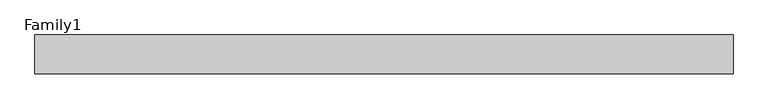
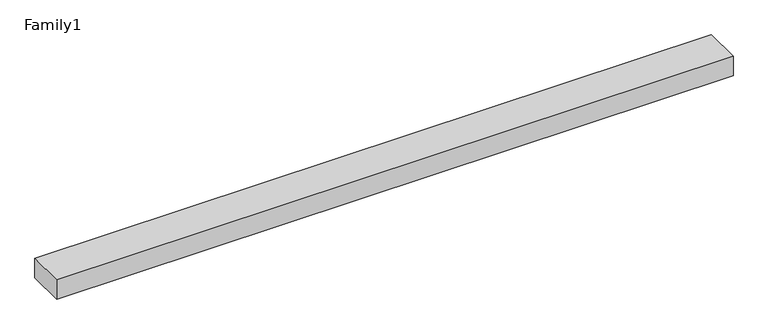
"""IFC4 building model written with IfcOpenShell, lengths in millimetres: proxy geometry, Family1."""

from ifc_helpers import new_model, si_unit, origin, origin_with_axes, place, context, project, spatial, polyline, outline, extrude, source, transform, mapped, element, save


def family1_75fcb7b9(model_context):
    return source(origin(), model_context, "Body", "SweptSolid", [
        extrude(outline(polyline([(90000.0, 0.0), (0.0, 0.0), (0.0, 5000.0), (90000.0, 5000.0), (90000.0, 0.0)])), origin_with_axes(), (0.0, 0.0, 1.0), 2684.0),
    ])


if __name__ == "__main__":
    model = new_model("IFC4")
    model_context = context("Model", 3, world=origin())
    ifc_project = project(units=[si_unit("LENGTHUNIT", "METRE", prefix="MILLI")], contexts=[model_context])
    site = spatial("IfcSite", under=ifc_project)
    building = spatial("IfcBuilding", under=site)
    placement = place(None, origin())
    family1_shape = family1_75fcb7b9(model_context)
    element("IfcBuildingElementProxy", 1, Name="Family1", ObjectType="Family1", at=placement, inside=building, context=model_context, shape_type="MappedRepresentation", body=[
        mapped(family1_shape, transform((0.0, 0.0, 0.0), x_axis=(1.0, 0.0, 0.0), y_axis=(0.0, 1.0, 0.0), z_axis=(0.0, 0.0, 1.0))),
    ])
    save(model, "model.ifc")
